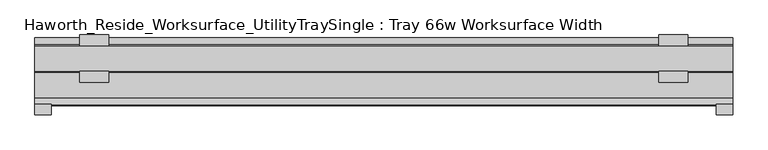
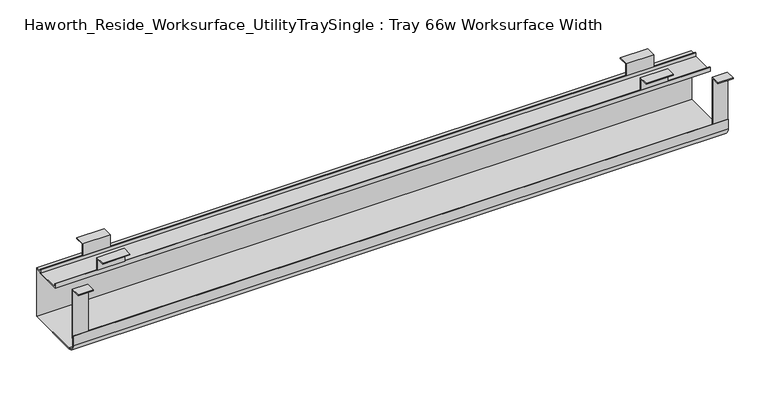
"""IFC4 building model written with IfcOpenShell, lengths in millimetres: furniture geometry, Haworth_Reside_Worksurface_UtilityTraySingle : Tray 66w Worksurface Width."""

import ifcopenshell
import ifcopenshell.guid

model = None  # the IFC model being written
_history = None  # IfcOwnerHistory: only IFC2X3 demands one
_inside = {}  # id of a spatial element -> (the spatial element, [elements in it])
_under = {}  # id of a project, library or spatial element -> (it, [spatial elements below it])
_declared = {}  # id of a project -> (the project, [libraries it declares])
_typed = {}  # id of a type object -> (the type object, [elements of that type])
_made_of = {}  # id of a material, layer set ... -> (it, [elements and type objects made of it])


def new_model(schema):
    """Start an empty IFC model of exactly this schema.

    Asked for "IFC4X3", IfcOpenShell would pick the latest addendum, in which some entities
    have other attributes; the version numbers below select the first issue.
    IFC2X3 requires an IfcOwnerHistory on every rooted entity: one is made here for all.
    """
    global model, _history
    if schema == "IFC4X3":
        model = ifcopenshell.file(schema_version=(4, 3, 0, 0))
    else:
        model = ifcopenshell.file(schema=schema)
    _inside.clear()
    _under.clear()
    _declared.clear()
    _typed.clear()
    _made_of.clear()
    _history = None
    if model.schema == "IFC2X3":
        org = make("IfcOrganization", Name="unknown")
        user = make(
            "IfcPersonAndOrganization",
            ThePerson=make("IfcPerson", FamilyName="unknown"),
            TheOrganization=org,
        )
        app = make(
            "IfcApplication",
            ApplicationDeveloper=org,
            Version="unknown",
            ApplicationFullName="unknown",
            ApplicationIdentifier="unknown",
        )
        _history = make(
            "IfcOwnerHistory",
            OwningUser=user,
            OwningApplication=app,
            ChangeAction="ADDED",
            CreationDate=0,
        )
    return model


def make(cls, **values):
    """One entity of the class cls with the attributes given. An attribute that is None is left unset."""
    return model.create_entity(
        cls, **{name: value for name, value in values.items() if value is not None}
    )


def rooted(cls, **values):
    """An entity with a GlobalId (a new one), such as an element, a storey or a relation."""
    return make(cls, GlobalId=ifcopenshell.guid.new(), OwnerHistory=_history, **values)


def si_unit(unit_type, name, prefix=None):
    """IfcSIUnit, for example si_unit("LENGTHUNIT", "METRE", prefix="MILLI")."""
    return make("IfcSIUnit", UnitType=unit_type, Prefix=prefix, Name=name)


def assignment(units):
    """IfcUnitAssignment: the units of a project."""
    return None if units is None else make("IfcUnitAssignment", Units=units)


def point(xyz):
    """IfcCartesianPoint."""
    return None if xyz is None else make("IfcCartesianPoint", Coordinates=xyz)


def direction(xyz):
    """IfcDirection."""
    return None if xyz is None else make("IfcDirection", DirectionRatios=xyz)


def frame(location, z_axis=None, x_axis=None):
    """IfcAxis2Placement3D, a coordinate frame: its origin and axes. An axis left out is left unset."""
    return make(
        "IfcAxis2Placement3D",
        Location=point(location),
        Axis=direction(z_axis),
        RefDirection=direction(x_axis),
    )


def frame_2d(location, x_axis=None):
    """IfcAxis2Placement2D, a coordinate frame in the plane: its origin and x axis."""
    return make(
        "IfcAxis2Placement2D", Location=point(location), RefDirection=direction(x_axis)
    )


def origin():
    """The frame at (0, 0, 0) with its axes left unset."""
    return frame((0.0, 0.0, 0.0))


def place(relative_to, where):
    """IfcLocalPlacement: puts the frame where relative to a parent placement (None: the world)."""
    return make(
        "IfcLocalPlacement", PlacementRelTo=relative_to, RelativePlacement=where
    )


def context(
    kind, dimensions, precision=None, world=None, true_north=None, identifier=None
):
    """IfcGeometricRepresentationContext, for example the 3D "Model" context."""
    return make(
        "IfcGeometricRepresentationContext",
        ContextIdentifier=identifier,
        ContextType=kind,
        CoordinateSpaceDimension=dimensions,
        Precision=precision,
        WorldCoordinateSystem=world,
        TrueNorth=true_north,
    )


def project(units=None, contexts=None):
    """IfcProject with its units and contexts."""
    return rooted(
        "IfcProject",
        Name="project",
        RepresentationContexts=contexts,
        UnitsInContext=assignment(units),
    )


def spatial(cls, under=None, at=None, **own):
    """A site, building, storey or space (cls), placed at a placement, below another one or the project."""
    s = rooted(cls, ObjectPlacement=at, **own)
    if under is not None:
        _under.setdefault(under.id(), (under, []))[1].append(s)
    return s


def polyline(points):
    """IfcPolyline through the points."""
    return make("IfcPolyline", Points=[point(p) for p in points])


def circle_curve(where, radius):
    """IfcCircle in the frame where."""
    return make("IfcCircle", Position=where, Radius=radius)


def trimmed(basis, trim1, trim2, sense, master):
    """IfcTrimmedCurve: the piece of a basis curve between two trims."""
    return make(
        "IfcTrimmedCurve",
        BasisCurve=basis,
        Trim1=trim1,
        Trim2=trim2,
        SenseAgreement=sense,
        MasterRepresentation=master,
    )


def segment(curve, same_sense, transition):
    """IfcCompositeCurveSegment."""
    return make(
        "IfcCompositeCurveSegment",
        Transition=transition,
        SameSense=same_sense,
        ParentCurve=curve,
    )


def composite_curve(segments, self_intersect=None):
    """IfcCompositeCurve: segments joined end to end."""
    return make("IfcCompositeCurve", Segments=segments, SelfIntersect=self_intersect)


def outline(outer, holes=None, kind="AREA"):
    """IfcArbitraryClosedProfileDef: a profile drawn as a closed curve; with holes, ...WithVoids."""
    if holes is None:
        return make("IfcArbitraryClosedProfileDef", ProfileType=kind, OuterCurve=outer)
    return make(
        "IfcArbitraryProfileDefWithVoids",
        ProfileType=kind,
        OuterCurve=outer,
        InnerCurves=holes,
    )


def extrude(swept, where, along, depth):
    """IfcExtrudedAreaSolid: the profile swept, set in the frame where, extruded along a direction by depth."""
    return make(
        "IfcExtrudedAreaSolid",
        SweptArea=swept,
        Position=where,
        ExtrudedDirection=direction(along),
        Depth=depth,
    )


def shape(context_of_items, identifier, shape_type, items):
    """IfcShapeRepresentation: the items that make up one representation, for example the "Body"."""
    return make(
        "IfcShapeRepresentation",
        ContextOfItems=context_of_items,
        RepresentationIdentifier=identifier,
        RepresentationType=shape_type,
        Items=items,
    )


def source(mapping_origin, context_of_items, identifier, shape_type, items):
    """IfcRepresentationMap: a shape defined once, which mapped items show again and again."""
    return make(
        "IfcRepresentationMap",
        MappingOrigin=mapping_origin,
        MappedRepresentation=shape(context_of_items, identifier, shape_type, items),
    )


def transform(
    local_origin,
    x_axis=None,
    y_axis=None,
    z_axis=None,
    scale=None,
    scale2=None,
    scale3=None,
    uniform=True,
):
    """IfcCartesianTransformationOperator3D, or its non-uniform kind. x_axis, y_axis, z_axis: its Axis1, 2, 3."""
    if uniform:
        return make(
            "IfcCartesianTransformationOperator3D",
            Axis1=direction(x_axis),
            Axis2=direction(y_axis),
            LocalOrigin=point(local_origin),
            Scale=scale,
            Axis3=direction(z_axis),
        )
    return make(
        "IfcCartesianTransformationOperator3DnonUniform",
        Axis1=direction(x_axis),
        Axis2=direction(y_axis),
        LocalOrigin=point(local_origin),
        Scale=scale,
        Axis3=direction(z_axis),
        Scale2=scale2,
        Scale3=scale3,
    )


def mapped(mapping_source, mapping_target):
    """IfcMappedItem: shows the shape of a source again, moved by a transform."""
    return make(
        "IfcMappedItem", MappingSource=mapping_source, MappingTarget=mapping_target
    )


def made_of(thing, what):
    """Note that an element or type object is made of a material, layer set ...; save() writes the relation."""
    if what is not None:
        _made_of.setdefault(what.id(), (what, []))[1].append(thing)
    return thing


def element(
    cls,
    number,
    at=None,
    inside=None,
    cuts=None,
    type_object=None,
    material=None,
    context=None,
    identifier="Body",
    shape_type=None,
    held_by="IfcProductDefinitionShape",
    body=None,
    shapes=None,
    **own,
):
    """One element of the class cls, such as IfcWall. Its Tag is "e" and its number.

    at: its placement. inside: the storey or other place that contains it. cuts: it is an
    opening in that element (IfcRelVoidsElement). A single representation is given by context,
    identifier, shape_type and body (its items); several are given by shapes. held_by: the class
    of the entity that holds the representations. save() writes the other relations.
    """
    e = rooted(cls, Tag="e%d" % number, ObjectPlacement=at, **own)
    if body is not None:
        shapes = [shape(context, identifier, shape_type, body)]
    if shapes is not None:
        e.Representation = make(held_by, Representations=shapes)
    if inside is not None:
        _inside.setdefault(inside.id(), (inside, []))[1].append(e)
    if cuts is not None:
        rooted(
            "IfcRelVoidsElement", RelatingBuildingElement=cuts, RelatedOpeningElement=e
        )
    if type_object is not None:
        _typed.setdefault(type_object.id(), (type_object, []))[1].append(e)
    return made_of(e, material)


def aggregate(whole, parts):
    """IfcRelAggregates: a whole, such as a stair, and the parts it consists of."""
    return rooted("IfcRelAggregates", RelatingObject=whole, RelatedObjects=parts)


def save(model, path):
    """Write the relations noted so far, then the file.

    IfcRelAggregates (storeys below a building ...), IfcRelContainedInSpatialStructure (elements
    in a storey), IfcRelDefinesByType, IfcRelAssociatesMaterial and IfcRelDeclares: one each for
    every whole, place, type object, material and project.
    """
    for whole, parts in _under.values():
        aggregate(whole, parts)
    for where, things in _inside.values():
        rooted(
            "IfcRelContainedInSpatialStructure",
            RelatedElements=things,
            RelatingStructure=where,
        )
    for kind, things in _typed.values():
        rooted("IfcRelDefinesByType", RelatedObjects=things, RelatingType=kind)
    for what, things in _made_of.values():
        rooted("IfcRelAssociatesMaterial", RelatedObjects=things, RelatingMaterial=what)
    for by, libraries in _declared.values():
        rooted("IfcRelDeclares", RelatingContext=by, RelatedDefinitions=libraries)
    model.write(path)


def haworth_reside_worksurface_utilitytraysingle_tray_66w_51cf36c0(model_context):
    return source(origin(), model_context, "Body", "SweptSolid", [
        extrude(outline(polyline([(85.2804983, 731.8375), (85.2804983, 705.0616227), (83.6929983, 705.0616227), (83.6929983, 730.25), (64.1984987, 730.25), (64.1984987, 731.8375), (85.2804983, 731.8375)])), frame((616.74375, 0.0, 0.0), z_axis=(1.0, 0.0, 0.0), x_axis=(0.0, 1.0, 0.0)), (0.0, 0.0, 1.0), 57.15),
        extrude(outline(polyline([(136.0804991, 731.8375), (157.1625, 731.8375), (157.1625, 730.25), (137.6679991, 730.25), (137.6679991, 705.0616227), (136.0804991, 705.0616227), (136.0804991, 731.8375)])), frame((616.74375, 0.0, 0.0), z_axis=(1.0, 0.0, 0.0), x_axis=(0.0, 1.0, 0.0)), (0.0, 0.0, 1.0), 57.15),
        extrude(outline(polyline([(85.2804983, 731.8375), (85.2804983, 705.0616227), (83.6929983, 705.0616227), (83.6929983, 730.25), (64.1984987, 730.25), (64.1984987, 731.8375), (85.2804983, 731.8375)])), frame((-521.49375, 0.0, 0.0), z_axis=(1.0, 0.0, 0.0), x_axis=(0.0, 1.0, 0.0)), (0.0, 0.0, 1.0), 57.15),
        extrude(outline(polyline([(136.0804991, 731.8375), (157.1625, 731.8375), (157.1625, 730.25), (137.6679991, 730.25), (137.6679991, 705.0616227), (136.0804991, 705.0616227), (136.0804991, 731.8375)])), frame((-521.49375, 0.0, 0.0), z_axis=(1.0, 0.0, 0.0), x_axis=(0.0, 1.0, 0.0)), (0.0, 0.0, 1.0), 57.15),
        extrude(outline(polyline([(21.0438957, 731.8375), (21.0438957, 622.3673792), (19.4563957, 622.3673792), (19.4563957, 730.25), (0.0, 730.25), (0.0, 731.8375), (21.0438957, 731.8375)])), frame((730.25, 0.0, 0.0), z_axis=(1.0, 0.0, 0.0), x_axis=(0.0, 1.0, 0.0)), (0.0, 0.0, 1.0), 31.75),
        extrude(outline(polyline([(21.0438957, 731.8375), (21.0438957, 622.3673792), (19.4563957, 622.3673792), (19.4563957, 730.25), (0.0, 730.25), (0.0, 731.8375), (21.0438957, 731.8375)])), frame((-609.6, 0.0, 0.0), z_axis=(1.0, 0.0, 0.0), x_axis=(0.0, 1.0, 0.0)), (0.0, 0.0, 1.0), 31.75),
        extrude(outline(composite_curve([segment(polyline([(151.2189002, 592.1375), (33.7438957, 592.1375)]), True, "CONTINUOUS"), segment(trimmed(circle_curve(frame_2d((33.7438957, 608.0125)), 15.875), [point((33.7438957, 592.1375))], [point((17.8688957, 608.0125))], False, "CARTESIAN"), True, "CONTINUOUS"), segment(polyline([(17.8688957, 608.0125), (17.8688957, 629.0309801), (19.4563957, 629.0309801), (19.4563957, 608.0759608)]), True, "CONTINUOUS"), segment(trimmed(circle_curve(frame_2d((33.7438957, 608.0759608)), 14.2875), [point((19.4563957, 608.0759608))], [point((33.7438957, 593.7884608))], True, "CARTESIAN"), True, "CONTINUOUS"), segment(polyline([(33.7438957, 593.7884608), (149.6314002, 593.7884608), (149.6314002, 698.4364942), (137.6679991, 698.4364942), (137.6679991, 695.8584054), (83.6929983, 695.8584054), (83.6929983, 705.0616227), (85.2804983, 705.0616227), (85.2804983, 697.4459054), (136.0804991, 697.4459054), (136.0804991, 705.0616227), (137.6679991, 705.0616227), (137.6679991, 700.0239942), (151.2189002, 700.0239942), (151.2189002, 592.1375)]), True, "CONTINUOUS")], self_intersect=False)), frame((-609.6, 0.0, 0.0), z_axis=(1.0, 0.0, 0.0), x_axis=(0.0, 1.0, 0.0)), (0.0, 0.0, 1.0), 1371.6),
    ])


if __name__ == "__main__":
    model = new_model("IFC4")
    model_context = context("Model", 3, world=origin())
    ifc_project = project(units=[si_unit("LENGTHUNIT", "METRE", prefix="MILLI")], contexts=[model_context])
    site = spatial("IfcSite", under=ifc_project)
    building = spatial("IfcBuilding", under=site)
    placement = place(None, origin())
    haworth_reside_worksurface_utilitytraysingle_tray_66w_shape = haworth_reside_worksurface_utilitytraysingle_tray_66w_51cf36c0(model_context)
    element("IfcFurniture", 1, ObjectType="Haworth_Reside_Worksurface_UtilityTraySingle : Tray 66w Worksurface Width", at=placement, inside=building, context=model_context, shape_type="MappedRepresentation", body=[
        mapped(haworth_reside_worksurface_utilitytraysingle_tray_66w_shape, transform((0.0, 0.0, 0.0), x_axis=(1.0, 0.0, 0.0), y_axis=(0.0, 1.0, 0.0), z_axis=(0.0, 0.0, 1.0))),
    ])
    save(model, "model.ifc")
